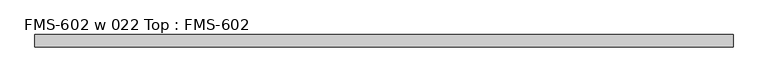
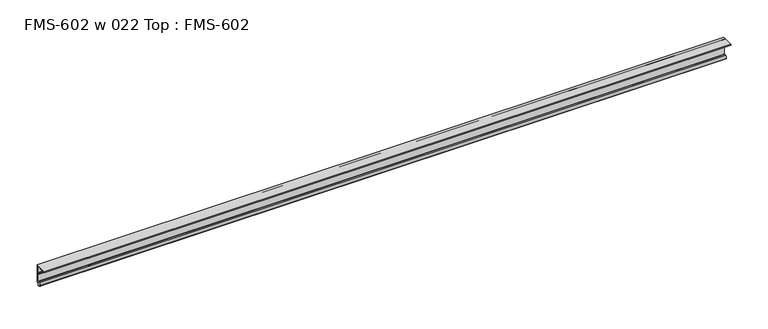
"""IFC4 building model written with IfcOpenShell, lengths in millimetres: proxy geometry, FMS-602 w 022 Top : FMS-602."""

from ifc_helpers import new_model, si_unit, point, frame, frame_2d, origin, place, context, project, spatial, polyline, circle_curve, trimmed, segment, composite_curve, outline, extrude, source, transform, mapped, element, save


def fms_602_w_022_top_fms_602_a701b7e8(model_context):
    return source(origin(), model_context, "Body", "SweptSolid", [
        extrude(outline(composite_curve([segment(trimmed(circle_curve(frame_2d((-4.5018192, 3.4822846)), 3.048), [point((-5.4099313, 0.5727079))], [point((-7.1037699, 1.8947846))], False, "CARTESIAN"), True, "CONTINUOUS"), segment(trimmed(circle_curve(frame_2d((-4.5018192, 3.4822846)), 3.048), [point((-7.1037699, 1.8947846))], [point((-5.4099313, 6.3918613))], False, "CARTESIAN"), True, "CONTINUOUS"), segment(polyline([(-5.4099313, 6.3918613), (-3.6135887, 6.9525203)]), True, "CONTINUOUS"), segment(trimmed(circle_curve(frame_2d((-3.4254762, 6.413819)), 0.5706009), [point((-3.6135887, 6.9525203))], [point((-2.8720827, 6.2747467))], False, "CARTESIAN"), True, "CONTINUOUS"), segment(trimmed(circle_curve(frame_2d((-2.1330622, 6.0890248)), 0.762), [point((-2.8720827, 6.2747467))], [point((-2.1123834, 5.3273054))], True, "CARTESIAN"), True, "CONTINUOUS"), segment(trimmed(circle_curve(frame_2d((-2.0955, 5.8350248)), 0.508), [point((-2.1123834, 5.3273054))], [point((-1.5875, 5.8350248))], True, "CARTESIAN"), True, "CONTINUOUS"), segment(polyline([(-1.5875, 5.8350248), (-1.5875, 17.0226368), (-1.0783361, 17.9400565), (-1.0783361, 19.2802172), (-1.5875, 20.1976368), (-1.5875, 29.1733387)]), True, "CONTINUOUS"), segment(trimmed(circle_curve(frame_2d((-3.4925, 29.1733387)), 1.905), [point((-1.5875, 29.1733387))], [point((-3.4926686, 31.0783387))], True, "CARTESIAN"), True, "CONTINUOUS"), segment(polyline([(-3.4926686, 31.0783387), (-12.6643694, 31.0867667)]), True, "CONTINUOUS"), segment(trimmed(circle_curve(frame_2d((-14.2518047, 31.1010982)), 1.5875), [point((-12.6643694, 31.0867667))], [point((-15.8393047, 31.1010982))], False, "CARTESIAN"), True, "CONTINUOUS"), segment(polyline([(-15.8393047, 31.1010982), (-19.05, 31.1010982), (-19.05, 32.6885982), (0.0, 32.6885982), (0.0, 3.5490248), (-1.3075622, 3.5490248)]), True, "CONTINUOUS"), segment(trimmed(circle_curve(frame_2d((-1.3075622, 1.9615248)), 1.5875), [point((-1.3075622, 3.5490248))], [point((-2.8950622, 1.9615248))], True, "CARTESIAN"), True, "CONTINUOUS"), segment(polyline([(-2.8950622, 1.9615248), (-2.8950622, 0.4199147)]), True, "CONTINUOUS"), segment(trimmed(circle_curve(frame_2d((-3.3646912, 0.4199147)), 0.4696291), [point((-2.8950622, 0.4199147))], [point((-3.5749842, 0.0))], False, "CARTESIAN"), True, "CONTINUOUS"), segment(polyline([(-3.5749842, 0.0), (-5.4099313, 0.5727079)]), True, "CONTINUOUS")], self_intersect=False)), frame((0.0, 0.0, 0.0), z_axis=(1.0, 0.0, 0.0), x_axis=(0.0, 1.0, 0.0)), (0.0, 0.0, 1.0), 1063.625),
    ])


if __name__ == "__main__":
    model = new_model("IFC4")
    model_context = context("Model", 3, world=origin())
    ifc_project = project(units=[si_unit("LENGTHUNIT", "METRE", prefix="MILLI")], contexts=[model_context])
    site = spatial("IfcSite", under=ifc_project)
    building = spatial("IfcBuilding", under=site)
    placement = place(None, origin())
    fms_602_w_022_top_fms_602_shape = fms_602_w_022_top_fms_602_a701b7e8(model_context)
    element("IfcBuildingElementProxy", 1, Name="FMS-602 w 022 Top : FMS-602", ObjectType="FMS-602 w 022 Top : FMS-602", at=placement, inside=building, context=model_context, shape_type="MappedRepresentation", body=[
        mapped(fms_602_w_022_top_fms_602_shape, transform((0.0, 0.0, 0.0), x_axis=(1.0, 0.0, 0.0), y_axis=(0.0, 1.0, 0.0), z_axis=(0.0, 0.0, 1.0))),
    ])
    save(model, "model.ifc")
